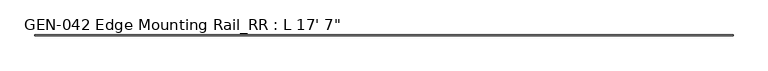
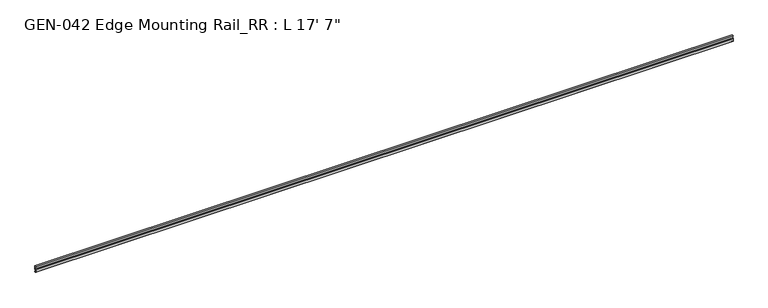
"""IFC4 building model written with IfcOpenShell, lengths in millimetres: proxy geometry."""

from ifc_helpers import new_model, si_unit, point, frame, frame_2d, origin, place, context, project, spatial, polyline, circle_curve, trimmed, segment, composite_curve, outline, extrude, source, transform, mapped, element, save


def proxy_8d262bb3(model_context):
    return source(origin(), model_context, "Body", "SweptSolid", [
        extrude(outline(composite_curve([segment(polyline([(-13.6400687, -32.1158903), (-15.4750158, -32.6885982)]), True, "CONTINUOUS"), segment(trimmed(circle_curve(frame_2d((-15.6853088, -32.2686835)), 0.4696291), [point((-15.4750158, -32.6885982))], [point((-16.1549378, -32.2686835))], False, "CARTESIAN"), True, "CONTINUOUS"), segment(polyline([(-16.1549378, -32.2686835), (-16.1549378, -30.7270734)]), True, "CONTINUOUS"), segment(trimmed(circle_curve(frame_2d((-17.7424378, -30.7270734)), 1.5875), [point((-16.1549378, -30.7270734))], [point((-17.7424378, -29.1395734))], True, "CARTESIAN"), True, "CONTINUOUS"), segment(polyline([(-17.7424378, -29.1395734), (-19.05, -29.1395734), (-19.05, -8.5020734)]), True, "CONTINUOUS"), segment(trimmed(circle_curve(frame_2d((-17.4625, -8.5020734)), 1.5875), [point((-19.05, -8.5020734))], [point((-17.4625, -6.9145734))], False, "CARTESIAN"), True, "CONTINUOUS"), segment(polyline([(-17.4625, -6.9145734), (-12.7, -6.9145734), (-12.7, 15.2917515), (-17.4625, 15.2917515), (-17.4625, 13.7042515), (-19.05, 13.7042515), (-19.05, 16.8792515), (-11.1125, 16.8792515), (-11.1125, -8.5248329), (-15.875, -8.5248329)]), True, "CONTINUOUS"), segment(trimmed(circle_curve(frame_2d((-15.875, -10.1123329)), 1.5875), [point((-15.875, -8.5248329))], [point((-17.4625, -10.1123329))], True, "CARTESIAN"), True, "CONTINUOUS"), segment(polyline([(-17.4625, -10.1123329), (-17.4625, -12.4909614), (-17.9716639, -13.408381), (-17.9716639, -14.7485418), (-17.4625, -15.6659614), (-17.4625, -26.8535734)]), True, "CONTINUOUS"), segment(trimmed(circle_curve(frame_2d((-16.9545, -26.8535734)), 0.508), [point((-17.4625, -26.8535734))], [point((-16.9376166, -27.3612928))], True, "CARTESIAN"), True, "CONTINUOUS"), segment(trimmed(circle_curve(frame_2d((-16.9169378, -26.5995734)), 0.762), [point((-16.9376166, -27.3612928))], [point((-16.1779173, -26.4138515))], True, "CARTESIAN"), True, "CONTINUOUS"), segment(trimmed(circle_curve(frame_2d((-15.6245238, -26.2747792)), 0.5706009), [point((-16.1779173, -26.4138515))], [point((-15.4364113, -25.7360779))], False, "CARTESIAN"), True, "CONTINUOUS"), segment(polyline([(-15.4364113, -25.7360779), (-13.6400687, -26.2967369)]), True, "CONTINUOUS"), segment(trimmed(circle_curve(frame_2d((-14.5481808, -29.2063136)), 3.048), [point((-13.6400687, -26.2967369))], [point((-11.9462301, -30.7938136))], False, "CARTESIAN"), True, "CONTINUOUS"), segment(trimmed(circle_curve(frame_2d((-14.5481808, -29.2063136)), 3.048), [point((-11.9462301, -30.7938136))], [point((-13.6400687, -32.1158903))], False, "CARTESIAN"), True, "CONTINUOUS")], self_intersect=False)), frame((-5054.6, 0.0, 0.0), z_axis=(1.0, 0.0, 0.0), x_axis=(0.0, 1.0, 0.0)), (0.0, 0.0, 1.0), 5359.4),
    ])


if __name__ == "__main__":
    model = new_model("IFC4")
    model_context = context("Model", 3, world=origin())
    ifc_project = project(units=[si_unit("LENGTHUNIT", "METRE", prefix="MILLI")], contexts=[model_context])
    site = spatial("IfcSite", under=ifc_project)
    building = spatial("IfcBuilding", under=site)
    placement = place(None, origin())
    proxy_shape = proxy_8d262bb3(model_context)
    element("IfcBuildingElementProxy", 1, Name="GEN-042 Edge Mounting Rail_RR : L 17' 7\"", ObjectType="GEN-042 Edge Mounting Rail_RR : L 17' 7\"", at=placement, inside=building, context=model_context, shape_type="MappedRepresentation", body=[
        mapped(proxy_shape, transform((0.0, 0.0, 0.0), x_axis=(1.0, 0.0, 0.0), y_axis=(0.0, 1.0, 0.0), z_axis=(0.0, 0.0, 1.0))),
    ])
    save(model, "model.ifc")
